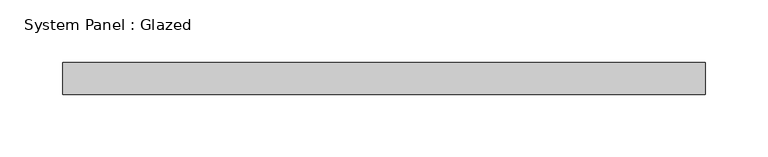
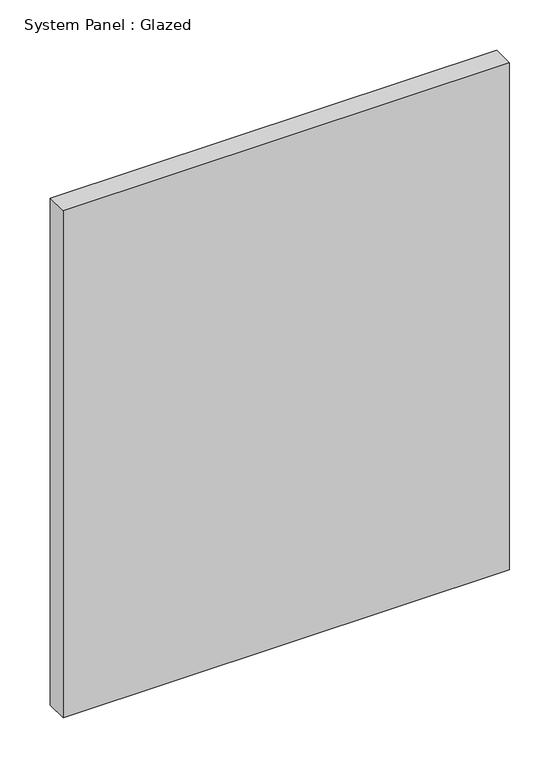
"""IFC4 building model written with IfcOpenShell, lengths in millimetres: plate geometry, System Panel : Glazed."""

from ifc_helpers import new_model, si_unit, origin, origin_with_axes, place, context, project, spatial, polyline, outline, extrude, source, transform, mapped, element, save


def system_panel_glazed_d55685b6(model_context):
    return source(origin(), model_context, "Body", "SweptSolid", [
        extrude(outline(polyline([(256.3812498, 19.05), (-256.3812498, 19.05), (-256.3812498, 44.45), (256.3812498, 44.45), (256.3812498, 19.05)])), origin_with_axes(), (0.0, 0.0, 1.0), 615.95),
    ])


if __name__ == "__main__":
    model = new_model("IFC4")
    model_context = context("Model", 3, world=origin())
    ifc_project = project(units=[si_unit("LENGTHUNIT", "METRE", prefix="MILLI")], contexts=[model_context])
    site = spatial("IfcSite", under=ifc_project)
    building = spatial("IfcBuilding", under=site)
    placement = place(None, origin())
    system_panel_glazed_shape = system_panel_glazed_d55685b6(model_context)
    element("IfcPlate", 1, ObjectType="System Panel : Glazed", at=placement, inside=building, context=model_context, shape_type="MappedRepresentation", body=[
        mapped(system_panel_glazed_shape, transform((0.0, 0.0, 0.0), x_axis=(1.0, 0.0, 0.0), y_axis=(0.0, 1.0, 0.0), z_axis=(0.0, 0.0, 1.0))),
    ])
    save(model, "model.ifc")
